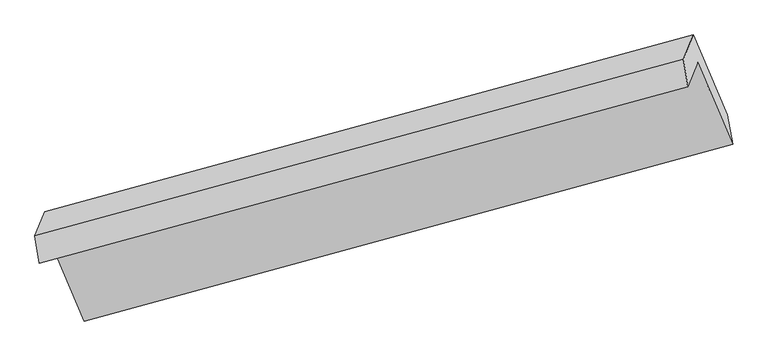
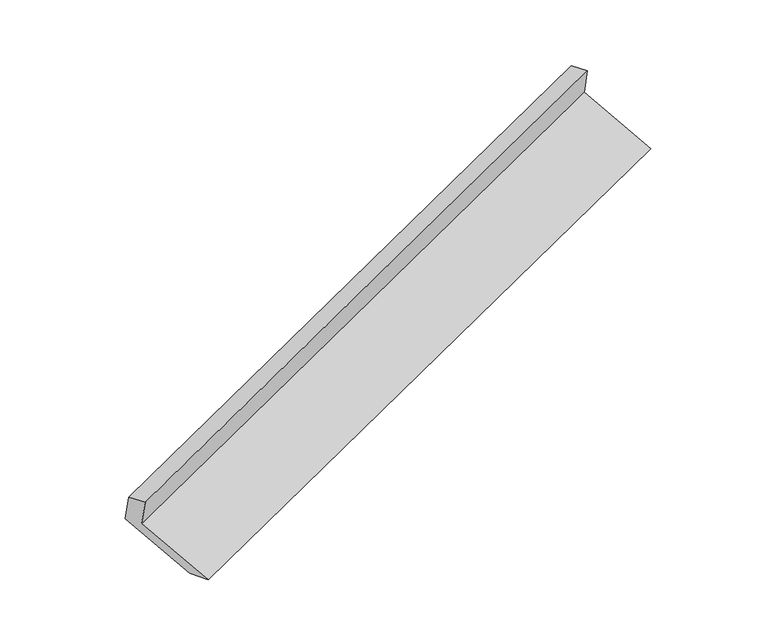
"""IFC4 building model written with IfcOpenShell, lengths in millimetres: proxy geometry."""

import ifcopenshell
import ifcopenshell.guid

model = None  # the IFC model being written
_history = None  # IfcOwnerHistory: only IFC2X3 demands one
_inside = {}  # id of a spatial element -> (the spatial element, [elements in it])
_under = {}  # id of a project, library or spatial element -> (it, [spatial elements below it])
_declared = {}  # id of a project -> (the project, [libraries it declares])
_typed = {}  # id of a type object -> (the type object, [elements of that type])
_made_of = {}  # id of a material, layer set ... -> (it, [elements and type objects made of it])


def new_model(schema):
    """Start an empty IFC model of exactly this schema.

    Asked for "IFC4X3", IfcOpenShell would pick the latest addendum, in which some entities
    have other attributes; the version numbers below select the first issue.
    IFC2X3 requires an IfcOwnerHistory on every rooted entity: one is made here for all.
    """
    global model, _history
    if schema == "IFC4X3":
        model = ifcopenshell.file(schema_version=(4, 3, 0, 0))
    else:
        model = ifcopenshell.file(schema=schema)
    _inside.clear()
    _under.clear()
    _declared.clear()
    _typed.clear()
    _made_of.clear()
    _history = None
    if model.schema == "IFC2X3":
        org = make("IfcOrganization", Name="unknown")
        user = make(
            "IfcPersonAndOrganization",
            ThePerson=make("IfcPerson", FamilyName="unknown"),
            TheOrganization=org,
        )
        app = make(
            "IfcApplication",
            ApplicationDeveloper=org,
            Version="unknown",
            ApplicationFullName="unknown",
            ApplicationIdentifier="unknown",
        )
        _history = make(
            "IfcOwnerHistory",
            OwningUser=user,
            OwningApplication=app,
            ChangeAction="ADDED",
            CreationDate=0,
        )
    return model


def make(cls, **values):
    """One entity of the class cls with the attributes given. An attribute that is None is left unset."""
    return model.create_entity(
        cls, **{name: value for name, value in values.items() if value is not None}
    )


def rooted(cls, **values):
    """An entity with a GlobalId (a new one), such as an element, a storey or a relation."""
    return make(cls, GlobalId=ifcopenshell.guid.new(), OwnerHistory=_history, **values)


def si_unit(unit_type, name, prefix=None):
    """IfcSIUnit, for example si_unit("LENGTHUNIT", "METRE", prefix="MILLI")."""
    return make("IfcSIUnit", UnitType=unit_type, Prefix=prefix, Name=name)


def assignment(units):
    """IfcUnitAssignment: the units of a project."""
    return None if units is None else make("IfcUnitAssignment", Units=units)


def point(xyz):
    """IfcCartesianPoint."""
    return None if xyz is None else make("IfcCartesianPoint", Coordinates=xyz)


def direction(xyz):
    """IfcDirection."""
    return None if xyz is None else make("IfcDirection", DirectionRatios=xyz)


def frame(location, z_axis=None, x_axis=None):
    """IfcAxis2Placement3D, a coordinate frame: its origin and axes. An axis left out is left unset."""
    return make(
        "IfcAxis2Placement3D",
        Location=point(location),
        Axis=direction(z_axis),
        RefDirection=direction(x_axis),
    )


def origin():
    """The frame at (0, 0, 0) with its axes left unset."""
    return frame((0.0, 0.0, 0.0))


def place(relative_to, where):
    """IfcLocalPlacement: puts the frame where relative to a parent placement (None: the world)."""
    return make(
        "IfcLocalPlacement", PlacementRelTo=relative_to, RelativePlacement=where
    )


def context(
    kind, dimensions, precision=None, world=None, true_north=None, identifier=None
):
    """IfcGeometricRepresentationContext, for example the 3D "Model" context."""
    return make(
        "IfcGeometricRepresentationContext",
        ContextIdentifier=identifier,
        ContextType=kind,
        CoordinateSpaceDimension=dimensions,
        Precision=precision,
        WorldCoordinateSystem=world,
        TrueNorth=true_north,
    )


def project(units=None, contexts=None):
    """IfcProject with its units and contexts."""
    return rooted(
        "IfcProject",
        Name="project",
        RepresentationContexts=contexts,
        UnitsInContext=assignment(units),
    )


def spatial(cls, under=None, at=None, **own):
    """A site, building, storey or space (cls), placed at a placement, below another one or the project."""
    s = rooted(cls, ObjectPlacement=at, **own)
    if under is not None:
        _under.setdefault(under.id(), (under, []))[1].append(s)
    return s


def polyline(points):
    """IfcPolyline through the points."""
    return make("IfcPolyline", Points=[point(p) for p in points])


def outline(outer, holes=None, kind="AREA"):
    """IfcArbitraryClosedProfileDef: a profile drawn as a closed curve; with holes, ...WithVoids."""
    if holes is None:
        return make("IfcArbitraryClosedProfileDef", ProfileType=kind, OuterCurve=outer)
    return make(
        "IfcArbitraryProfileDefWithVoids",
        ProfileType=kind,
        OuterCurve=outer,
        InnerCurves=holes,
    )


def extrude(swept, where, along, depth):
    """IfcExtrudedAreaSolid: the profile swept, set in the frame where, extruded along a direction by depth."""
    return make(
        "IfcExtrudedAreaSolid",
        SweptArea=swept,
        Position=where,
        ExtrudedDirection=direction(along),
        Depth=depth,
    )


def shape(context_of_items, identifier, shape_type, items):
    """IfcShapeRepresentation: the items that make up one representation, for example the "Body"."""
    return make(
        "IfcShapeRepresentation",
        ContextOfItems=context_of_items,
        RepresentationIdentifier=identifier,
        RepresentationType=shape_type,
        Items=items,
    )


def source(mapping_origin, context_of_items, identifier, shape_type, items):
    """IfcRepresentationMap: a shape defined once, which mapped items show again and again."""
    return make(
        "IfcRepresentationMap",
        MappingOrigin=mapping_origin,
        MappedRepresentation=shape(context_of_items, identifier, shape_type, items),
    )


def transform(
    local_origin,
    x_axis=None,
    y_axis=None,
    z_axis=None,
    scale=None,
    scale2=None,
    scale3=None,
    uniform=True,
):
    """IfcCartesianTransformationOperator3D, or its non-uniform kind. x_axis, y_axis, z_axis: its Axis1, 2, 3."""
    if uniform:
        return make(
            "IfcCartesianTransformationOperator3D",
            Axis1=direction(x_axis),
            Axis2=direction(y_axis),
            LocalOrigin=point(local_origin),
            Scale=scale,
            Axis3=direction(z_axis),
        )
    return make(
        "IfcCartesianTransformationOperator3DnonUniform",
        Axis1=direction(x_axis),
        Axis2=direction(y_axis),
        LocalOrigin=point(local_origin),
        Scale=scale,
        Axis3=direction(z_axis),
        Scale2=scale2,
        Scale3=scale3,
    )


def mapped(mapping_source, mapping_target):
    """IfcMappedItem: shows the shape of a source again, moved by a transform."""
    return make(
        "IfcMappedItem", MappingSource=mapping_source, MappingTarget=mapping_target
    )


def made_of(thing, what):
    """Note that an element or type object is made of a material, layer set ...; save() writes the relation."""
    if what is not None:
        _made_of.setdefault(what.id(), (what, []))[1].append(thing)
    return thing


def element(
    cls,
    number,
    at=None,
    inside=None,
    cuts=None,
    type_object=None,
    material=None,
    context=None,
    identifier="Body",
    shape_type=None,
    held_by="IfcProductDefinitionShape",
    body=None,
    shapes=None,
    **own,
):
    """One element of the class cls, such as IfcWall. Its Tag is "e" and its number.

    at: its placement. inside: the storey or other place that contains it. cuts: it is an
    opening in that element (IfcRelVoidsElement). A single representation is given by context,
    identifier, shape_type and body (its items); several are given by shapes. held_by: the class
    of the entity that holds the representations. save() writes the other relations.
    """
    e = rooted(cls, Tag="e%d" % number, ObjectPlacement=at, **own)
    if body is not None:
        shapes = [shape(context, identifier, shape_type, body)]
    if shapes is not None:
        e.Representation = make(held_by, Representations=shapes)
    if inside is not None:
        _inside.setdefault(inside.id(), (inside, []))[1].append(e)
    if cuts is not None:
        rooted(
            "IfcRelVoidsElement", RelatingBuildingElement=cuts, RelatedOpeningElement=e
        )
    if type_object is not None:
        _typed.setdefault(type_object.id(), (type_object, []))[1].append(e)
    return made_of(e, material)


def aggregate(whole, parts):
    """IfcRelAggregates: a whole, such as a stair, and the parts it consists of."""
    return rooted("IfcRelAggregates", RelatingObject=whole, RelatedObjects=parts)


def save(model, path):
    """Write the relations noted so far, then the file.

    IfcRelAggregates (storeys below a building ...), IfcRelContainedInSpatialStructure (elements
    in a storey), IfcRelDefinesByType, IfcRelAssociatesMaterial and IfcRelDeclares: one each for
    every whole, place, type object, material and project.
    """
    for whole, parts in _under.values():
        aggregate(whole, parts)
    for where, things in _inside.values():
        rooted(
            "IfcRelContainedInSpatialStructure",
            RelatedElements=things,
            RelatingStructure=where,
        )
    for kind, things in _typed.values():
        rooted("IfcRelDefinesByType", RelatedObjects=things, RelatingType=kind)
    for what, things in _made_of.values():
        rooted("IfcRelAssociatesMaterial", RelatedObjects=things, RelatingMaterial=what)
    for by, libraries in _declared.values():
        rooted("IfcRelDeclares", RelatingContext=by, RelatedDefinitions=libraries)
    model.write(path)


def generic_models_7170dc10(model_context):
    return source(origin(), model_context, "Body", "SweptSolid", [
        extrude(outline(polyline([(-57.7338297, -146.457426), (319.4331025, -146.457426), (183.4561404, -300.6526534), (-193.7107917, -300.6526534), (-193.7107918, 360.0124657), (-57.7338297, 534.207693), (-57.7338297, -146.457426)])), frame((-5157.7487713, -2130.5891181, 1114.0871849), z_axis=(0.9131182087476384, 0.24843113810078915, 0.3232601219999939), x_axis=(-0.18343528972892334, -0.4577579413569798, 0.8699477924603786)), (0.0, 0.0, 1.0), 5030.5195664),
    ])


if __name__ == "__main__":
    model = new_model("IFC4")
    model_context = context("Model", 3, world=origin())
    ifc_project = project(units=[si_unit("LENGTHUNIT", "METRE", prefix="MILLI")], contexts=[model_context])
    site = spatial("IfcSite", under=ifc_project)
    building = spatial("IfcBuilding", under=site)
    placement = place(None, origin())
    generic_models_shape = generic_models_7170dc10(model_context)
    element("IfcBuildingElementProxy", 1, Name="Generic Models", at=placement, inside=building, context=model_context, shape_type="MappedRepresentation", body=[
        mapped(generic_models_shape, transform((0.0, 0.0, 0.0), x_axis=(1.0, 0.0, 0.0), y_axis=(0.0, 1.0, 0.0), z_axis=(0.0, 0.0, 1.0))),
    ])
    save(model, "model.ifc")
